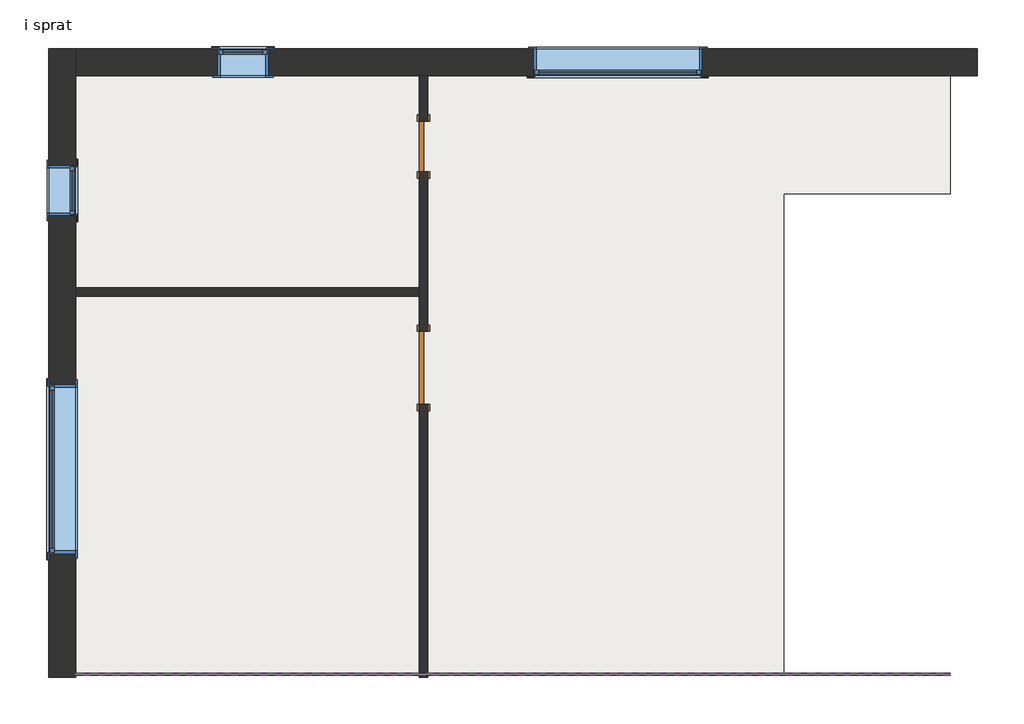
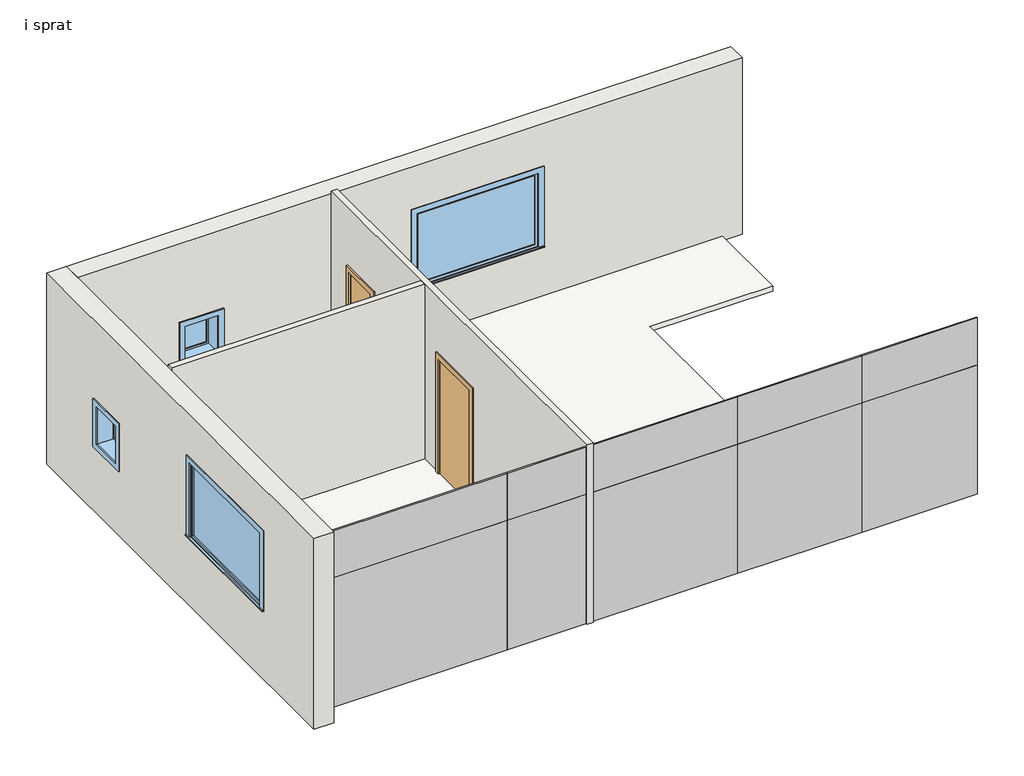
# One storey: 8 plates, 4 walls, 4 windows, 2 doors, 1 slab.
"""IFC4 building model written with IfcOpenShell, lengths in millimetres."""

import ifcopenshell
import ifcopenshell.guid

model = None  # the IFC model being written
_history = None  # IfcOwnerHistory: only IFC2X3 demands one
_inside = {}  # id of a spatial element -> (the spatial element, [elements in it])
_under = {}  # id of a project, library or spatial element -> (it, [spatial elements below it])
_declared = {}  # id of a project -> (the project, [libraries it declares])
_typed = {}  # id of a type object -> (the type object, [elements of that type])
_made_of = {}  # id of a material, layer set ... -> (it, [elements and type objects made of it])


def new_model(schema):
    """Start an empty IFC model of exactly this schema.

    Asked for "IFC4X3", IfcOpenShell would pick the latest addendum, in which some entities
    have other attributes; the version numbers below select the first issue.
    IFC2X3 requires an IfcOwnerHistory on every rooted entity: one is made here for all.
    """
    global model, _history
    if schema == "IFC4X3":
        model = ifcopenshell.file(schema_version=(4, 3, 0, 0))
    else:
        model = ifcopenshell.file(schema=schema)
    _inside.clear()
    _under.clear()
    _declared.clear()
    _typed.clear()
    _made_of.clear()
    _history = None
    if model.schema == "IFC2X3":
        org = make("IfcOrganization", Name="unknown")
        user = make(
            "IfcPersonAndOrganization",
            ThePerson=make("IfcPerson", FamilyName="unknown"),
            TheOrganization=org,
        )
        app = make(
            "IfcApplication",
            ApplicationDeveloper=org,
            Version="unknown",
            ApplicationFullName="unknown",
            ApplicationIdentifier="unknown",
        )
        _history = make(
            "IfcOwnerHistory",
            OwningUser=user,
            OwningApplication=app,
            ChangeAction="ADDED",
            CreationDate=0,
        )
    return model


def make(cls, **values):
    """One entity of the class cls with the attributes given. An attribute that is None is left unset."""
    return model.create_entity(
        cls, **{name: value for name, value in values.items() if value is not None}
    )


def rooted(cls, **values):
    """An entity with a GlobalId (a new one), such as an element, a storey or a relation."""
    return make(cls, GlobalId=ifcopenshell.guid.new(), OwnerHistory=_history, **values)


def si_unit(unit_type, name, prefix=None):
    """IfcSIUnit, for example si_unit("LENGTHUNIT", "METRE", prefix="MILLI")."""
    return make("IfcSIUnit", UnitType=unit_type, Prefix=prefix, Name=name)


def assignment(units):
    """IfcUnitAssignment: the units of a project."""
    return None if units is None else make("IfcUnitAssignment", Units=units)


def point(xyz):
    """IfcCartesianPoint."""
    return None if xyz is None else make("IfcCartesianPoint", Coordinates=xyz)


def direction(xyz):
    """IfcDirection."""
    return None if xyz is None else make("IfcDirection", DirectionRatios=xyz)


def frame(location, z_axis=None, x_axis=None):
    """IfcAxis2Placement3D, a coordinate frame: its origin and axes. An axis left out is left unset."""
    return make(
        "IfcAxis2Placement3D",
        Location=point(location),
        Axis=direction(z_axis),
        RefDirection=direction(x_axis),
    )


def origin():
    """The frame at (0, 0, 0) with its axes left unset."""
    return frame((0.0, 0.0, 0.0))


def origin_with_axes():
    """The frame at (0, 0, 0) with the z axis (0, 0, 1) and the x axis (1, 0, 0) written out."""
    return frame((0.0, 0.0, 0.0), z_axis=(0.0, 0.0, 1.0), x_axis=(1.0, 0.0, 0.0))


def place(relative_to, where):
    """IfcLocalPlacement: puts the frame where relative to a parent placement (None: the world)."""
    return make(
        "IfcLocalPlacement", PlacementRelTo=relative_to, RelativePlacement=where
    )


def context(
    kind, dimensions, precision=None, world=None, true_north=None, identifier=None
):
    """IfcGeometricRepresentationContext, for example the 3D "Model" context."""
    return make(
        "IfcGeometricRepresentationContext",
        ContextIdentifier=identifier,
        ContextType=kind,
        CoordinateSpaceDimension=dimensions,
        Precision=precision,
        WorldCoordinateSystem=world,
        TrueNorth=true_north,
    )


def project(units=None, contexts=None):
    """IfcProject with its units and contexts."""
    return rooted(
        "IfcProject",
        Name="project",
        RepresentationContexts=contexts,
        UnitsInContext=assignment(units),
    )


def spatial(cls, under=None, at=None, **own):
    """A site, building, storey or space (cls), placed at a placement, below another one or the project."""
    s = rooted(cls, ObjectPlacement=at, **own)
    if under is not None:
        _under.setdefault(under.id(), (under, []))[1].append(s)
    return s


def polyline(points):
    """IfcPolyline through the points."""
    return make("IfcPolyline", Points=[point(p) for p in points])


def outline(outer, holes=None, kind="AREA"):
    """IfcArbitraryClosedProfileDef: a profile drawn as a closed curve; with holes, ...WithVoids."""
    if holes is None:
        return make("IfcArbitraryClosedProfileDef", ProfileType=kind, OuterCurve=outer)
    return make(
        "IfcArbitraryProfileDefWithVoids",
        ProfileType=kind,
        OuterCurve=outer,
        InnerCurves=holes,
    )


def extrude(swept, where, along, depth):
    """IfcExtrudedAreaSolid: the profile swept, set in the frame where, extruded along a direction by depth."""
    return make(
        "IfcExtrudedAreaSolid",
        SweptArea=swept,
        Position=where,
        ExtrudedDirection=direction(along),
        Depth=depth,
    )


def faces_of(points, faces, orient=None, outer=None):
    """IfcFace entities. A face is a list of loops; a loop is a list of indices into points, from 0.

    orient and outer hold one flag for each loop. By default every Orientation is true, the
    first loop of a face is its IfcFaceOuterBound and the others are IfcFaceBound.
    """
    made = []
    for i, loops in enumerate(faces):
        bounds = []
        for j, loop in enumerate(loops):
            is_outer = j == 0 if outer is None else outer[i][j]
            bounds.append(
                make(
                    "IfcFaceOuterBound" if is_outer else "IfcFaceBound",
                    Bound=make("IfcPolyLoop", Polygon=[points[k] for k in loop]),
                    Orientation=True if orient is None else orient[i][j],
                )
            )
        made.append(make("IfcFace", Bounds=bounds))
    return made


def faceted_brep(points, faces, orient=None, outer=None, voids=None):
    """IfcFacetedBrep: a solid bounded by flat faces; with voids (closed shells), ...WithVoids."""
    shared = [point(p) for p in points]
    hull = make("IfcClosedShell", CfsFaces=faces_of(shared, faces, orient, outer))
    if voids is None:
        return make("IfcFacetedBrep", Outer=hull)
    return make(
        "IfcFacetedBrepWithVoids",
        Outer=hull,
        Voids=[
            make(cls, CfsFaces=faces_of(shared, fs, o, b)) for cls, fs, o, b in voids
        ],
    )


def shape(context_of_items, identifier, shape_type, items):
    """IfcShapeRepresentation: the items that make up one representation, for example the "Body"."""
    return make(
        "IfcShapeRepresentation",
        ContextOfItems=context_of_items,
        RepresentationIdentifier=identifier,
        RepresentationType=shape_type,
        Items=items,
    )


def source(mapping_origin, context_of_items, identifier, shape_type, items):
    """IfcRepresentationMap: a shape defined once, which mapped items show again and again."""
    return make(
        "IfcRepresentationMap",
        MappingOrigin=mapping_origin,
        MappedRepresentation=shape(context_of_items, identifier, shape_type, items),
    )


def transform(
    local_origin,
    x_axis=None,
    y_axis=None,
    z_axis=None,
    scale=None,
    scale2=None,
    scale3=None,
    uniform=True,
):
    """IfcCartesianTransformationOperator3D, or its non-uniform kind. x_axis, y_axis, z_axis: its Axis1, 2, 3."""
    if uniform:
        return make(
            "IfcCartesianTransformationOperator3D",
            Axis1=direction(x_axis),
            Axis2=direction(y_axis),
            LocalOrigin=point(local_origin),
            Scale=scale,
            Axis3=direction(z_axis),
        )
    return make(
        "IfcCartesianTransformationOperator3DnonUniform",
        Axis1=direction(x_axis),
        Axis2=direction(y_axis),
        LocalOrigin=point(local_origin),
        Scale=scale,
        Axis3=direction(z_axis),
        Scale2=scale2,
        Scale3=scale3,
    )


def mapped(mapping_source, mapping_target):
    """IfcMappedItem: shows the shape of a source again, moved by a transform."""
    return make(
        "IfcMappedItem", MappingSource=mapping_source, MappingTarget=mapping_target
    )


def made_of(thing, what):
    """Note that an element or type object is made of a material, layer set ...; save() writes the relation."""
    if what is not None:
        _made_of.setdefault(what.id(), (what, []))[1].append(thing)
    return thing


def element(
    cls,
    number,
    at=None,
    inside=None,
    cuts=None,
    type_object=None,
    material=None,
    context=None,
    identifier="Body",
    shape_type=None,
    held_by="IfcProductDefinitionShape",
    body=None,
    shapes=None,
    **own,
):
    """One element of the class cls, such as IfcWall. Its Tag is "e" and its number.

    at: its placement. inside: the storey or other place that contains it. cuts: it is an
    opening in that element (IfcRelVoidsElement). A single representation is given by context,
    identifier, shape_type and body (its items); several are given by shapes. held_by: the class
    of the entity that holds the representations. save() writes the other relations.
    """
    e = rooted(cls, Tag="e%d" % number, ObjectPlacement=at, **own)
    if body is not None:
        shapes = [shape(context, identifier, shape_type, body)]
    if shapes is not None:
        e.Representation = make(held_by, Representations=shapes)
    if inside is not None:
        _inside.setdefault(inside.id(), (inside, []))[1].append(e)
    if cuts is not None:
        rooted(
            "IfcRelVoidsElement", RelatingBuildingElement=cuts, RelatedOpeningElement=e
        )
    if type_object is not None:
        _typed.setdefault(type_object.id(), (type_object, []))[1].append(e)
    return made_of(e, material)


def aggregate(whole, parts):
    """IfcRelAggregates: a whole, such as a stair, and the parts it consists of."""
    return rooted("IfcRelAggregates", RelatingObject=whole, RelatedObjects=parts)


def save(model, path):
    """Write the relations noted so far, then the file.

    IfcRelAggregates (storeys below a building ...), IfcRelContainedInSpatialStructure (elements
    in a storey), IfcRelDefinesByType, IfcRelAssociatesMaterial and IfcRelDeclares: one each for
    every whole, place, type object, material and project.
    """
    for whole, parts in _under.values():
        aggregate(whole, parts)
    for where, things in _inside.values():
        rooted(
            "IfcRelContainedInSpatialStructure",
            RelatedElements=things,
            RelatingStructure=where,
        )
    for kind, things in _typed.values():
        rooted("IfcRelDefinesByType", RelatedObjects=things, RelatingType=kind)
    for what, things in _made_of.values():
        rooted("IfcRelAssociatesMaterial", RelatedObjects=things, RelatingMaterial=what)
    for by, libraries in _declared.values():
        rooted("IfcRelDeclares", RelatingContext=by, RelatedDefinitions=libraries)
    model.write(path)


def single_flush_6ab990f4(model_context):
    return source(origin(), model_context, "Body", "SweptSolid", [
        extrude(outline(polyline([(2076.2, -376.2), (0.0, -376.2), (0.0, -300.0), (2000.0, -300.0), (2000.0, 300.0), (0.0, 300.0), (0.0, 376.2), (2076.2, 376.2), (2076.2, -376.2)])), frame((0.0, 50.0, 0.0), z_axis=(0.0, 1.0, 0.0), x_axis=(0.0, 0.0, 1.0)), (0.0, 0.0, 1.0), 25.4),
        extrude(outline(polyline([(2076.2, 376.2), (2076.2, -376.2), (0.0, -376.2), (0.0, -300.0), (2000.0, -300.0), (2000.0, 300.0), (0.0, 300.0), (0.0, 376.2), (2076.2, 376.2)])), frame((0.0, -75.4, 0.0), z_axis=(0.0, 1.0, 0.0), x_axis=(0.0, 0.0, 1.0)), (0.0, 0.0, 1.0), 25.4),
        extrude(outline(polyline([(300.0, -0.8), (-300.0, -0.8), (-300.0, 50.0), (300.0, 50.0), (300.0, -0.8)])), origin_with_axes(), (0.0, 0.0, 1.0), 2000.0),
    ])


def door_5eeb210d(model_context):
    return source(origin(), model_context, "Body", "SweptSolid", [
        extrude(outline(polyline([(2108.2, -508.0), (0.0, -508.0), (0.0, -431.8), (2032.0, -431.8), (2032.0, 431.8), (0.0, 431.8), (0.0, 508.0), (2108.2, 508.0), (2108.2, -508.0)])), frame((0.0, 50.0, 0.0), z_axis=(0.0, 1.0, 0.0), x_axis=(0.0, 0.0, 1.0)), (0.0, 0.0, 1.0), 25.4),
        extrude(outline(polyline([(2108.2, 508.0), (2108.2, -508.0), (0.0, -508.0), (0.0, -431.8), (2032.0, -431.8), (2032.0, 431.8), (0.0, 431.8), (0.0, 508.0), (2108.2, 508.0)])), frame((0.0, -75.4, 0.0), z_axis=(0.0, 1.0, 0.0), x_axis=(0.0, 0.0, 1.0)), (0.0, 0.0, 1.0), 25.4),
        extrude(outline(polyline([(431.8, -0.8), (-431.8, -0.8), (-431.8, 50.0), (431.8, 50.0), (431.8, -0.8)])), origin_with_axes(), (0.0, 0.0, 1.0), 2032.0),
    ])


def system_panel_glazed_8fcf2291(model_context):
    return source(origin(), model_context, "Body", "SweptSolid", [
        extrude(outline(polyline([(930.0, 19.05), (-930.0, 19.05), (-930.0, 44.45), (930.0, 44.45), (930.0, 19.05)])), origin_with_axes(), (0.0, 0.0, 1.0), 2200.0),
    ])


def system_panel_glazed_beaef010(model_context):
    return source(origin(), model_context, "Body", "SweptSolid", [
        extrude(outline(polyline([(930.0, 19.05), (-930.0, 19.05), (-930.0, 44.45), (930.0, 44.45), (930.0, 19.05)])), origin_with_axes(), (0.0, 0.0, 1.0), 800.0),
    ])


def system_panel_glazed_ad8c2ce8(model_context):
    return source(origin(), model_context, "Body", "SweptSolid", [
        extrude(outline(polyline([(1000.0, 19.05), (-1000.0, 19.05), (-1000.0, 44.45), (1000.0, 44.45), (1000.0, 19.05)])), origin_with_axes(), (0.0, 0.0, 1.0), 2200.0),
    ])


def system_panel_glazed_d3eb4a58(model_context):
    return source(origin(), model_context, "Body", "SweptSolid", [
        extrude(outline(polyline([(1000.0, 19.05), (-1000.0, 19.05), (-1000.0, 44.45), (1000.0, 44.45), (1000.0, 19.05)])), origin_with_axes(), (0.0, 0.0, 1.0), 800.0),
    ])


def system_panel_glazed_b682965e(model_context):
    return source(origin(), model_context, "Body", "SweptSolid", [
        extrude(outline(polyline([(1400.0, 19.05), (-1400.0, 19.05), (-1400.0, 44.45), (1400.0, 44.45), (1400.0, 19.05)])), origin_with_axes(), (0.0, 0.0, 1.0), 2200.0),
    ])


def system_panel_glazed_552069db(model_context):
    return source(origin(), model_context, "Body", "SweptSolid", [
        extrude(outline(polyline([(1400.0, 19.05), (-1400.0, 19.05), (-1400.0, 44.45), (1400.0, 44.45), (1400.0, 19.05)])), origin_with_axes(), (0.0, 0.0, 1.0), 800.0),
    ])


def system_panel_glazed_d8b398f0(model_context):
    return source(origin(), model_context, "Body", "SweptSolid", [
        extrude(outline(polyline([(1850.0, 19.05), (-1850.0, 19.05), (-1850.0, 44.45), (1850.0, 44.45), (1850.0, 19.05)])), origin_with_axes(), (0.0, 0.0, 1.0), 2200.0),
    ])


def system_panel_glazed_4c189a50(model_context):
    return source(origin(), model_context, "Body", "SweptSolid", [
        extrude(outline(polyline([(1850.0, 19.05), (-1850.0, 19.05), (-1850.0, 44.45), (1850.0, 44.45), (1850.0, 19.05)])), origin_with_axes(), (0.0, 0.0, 1.0), 800.0),
    ])


def fixed_with_trim_601a8c36(model_context):
    return source(origin(), model_context, "Body", "SweptSolid", [
        extrude(outline(polyline([(-407.95, 185.4), (331.75, 185.4), (331.75, 160.0), (-407.95, 160.0), (-407.95, 185.4)])), frame((0.0, 0.0, 914.4), z_axis=(0.0, 0.0, 1.0), x_axis=(1.0, 0.0, 0.0)), (0.0, 0.0, 1.0), 19.05),
        extrude(outline(polyline([(1595.35, -319.05), (1595.35, 242.85), (933.45, 242.85), (933.45, 331.75), (1684.25, 331.75), (1684.25, -407.95), (933.45, -407.95), (933.45, -319.05), (1595.35, -319.05)])), frame((0.0, 160.0, 0.0), z_axis=(0.0, 1.0, 0.0), x_axis=(0.0, 0.0, 1.0)), (0.0, 0.0, 1.0), 12.7),
        extrude(outline(polyline([(1671.55, 319.05), (1671.55, -395.25), (857.25, -395.25), (857.25, 319.05), (1671.55, 319.05)]), holes=[polyline([(1582.65, 230.15), (946.15, 230.15), (946.15, -306.35), (1582.65, -306.35), (1582.65, 230.15)])]), frame((0.0, -179.05, 0.0), z_axis=(0.0, 1.0, 0.0), x_axis=(0.0, 0.0, 1.0)), (0.0, 0.0, 1.0), 19.05),
        extrude(outline(polyline([(198.4, 112.375), (-274.6, 112.375), (-274.6, 125.075), (198.4, 125.075), (198.4, 112.375)])), frame((0.0, 0.0, 977.9), z_axis=(0.0, 0.0, 1.0), x_axis=(1.0, 0.0, 0.0)), (0.0, 0.0, 1.0), 573.0),
        extrude(outline(polyline([(1595.35, -319.05), (933.45, -319.05), (933.45, 242.85), (1595.35, 242.85), (1595.35, -319.05)]), holes=[polyline([(1550.9, -274.6), (1550.9, 198.4), (977.9, 198.4), (977.9, -274.6), (1550.9, -274.6)])]), frame((0.0, 96.5, 0.0), z_axis=(0.0, 1.0, 0.0), x_axis=(0.0, 0.0, 1.0)), (0.0, 0.0, 1.0), 44.45),
        extrude(outline(polyline([(1614.4, -338.1), (914.4, -338.1), (914.4, 261.9), (1614.4, 261.9), (1614.4, -338.1)]), holes=[polyline([(1582.65, -306.35), (1582.65, 230.15), (946.15, 230.15), (946.15, -306.35), (1582.65, -306.35)])]), frame((0.0, -160.0, 0.0), z_axis=(0.0, 1.0, 0.0), x_axis=(0.0, 0.0, 1.0)), (0.0, 0.0, 1.0), 256.5),
        extrude(outline(polyline([(1614.4, 261.9), (1614.4, -338.1), (914.4, -338.1), (914.4, 261.9), (1614.4, 261.9)]), holes=[polyline([(1595.35, 242.85), (933.45, 242.85), (933.45, -319.05), (1595.35, -319.05), (1595.35, 242.85)])]), frame((0.0, 96.5, 0.0), z_axis=(0.0, 1.0, 0.0), x_axis=(0.0, 0.0, 1.0)), (0.0, 0.0, 1.0), 63.5),
    ])


def fixed_with_trim_43f5f011(model_context):
    return source(origin(), model_context, "Body", "SweptSolid", [
        extrude(outline(polyline([(-1107.95, 185.4), (1031.75, 185.4), (1031.75, 160.0), (-1107.95, 160.0), (-1107.95, 185.4)])), frame((0.0, 0.0, 914.4), z_axis=(0.0, 0.0, 1.0), x_axis=(1.0, 0.0, 0.0)), (0.0, 0.0, 1.0), 19.05),
        extrude(outline(polyline([(2195.35, -1019.05), (2195.35, 942.85), (933.45, 942.85), (933.45, 1031.75), (2284.25, 1031.75), (2284.25, -1107.95), (933.45, -1107.95), (933.45, -1019.05), (2195.35, -1019.05)])), frame((0.0, 160.0, 0.0), z_axis=(0.0, 1.0, 0.0), x_axis=(0.0, 0.0, 1.0)), (0.0, 0.0, 1.0), 12.7),
        extrude(outline(polyline([(2271.55, 1019.05), (2271.55, -1095.25), (857.25, -1095.25), (857.25, 1019.05), (2271.55, 1019.05)]), holes=[polyline([(2182.65, 930.15), (946.15, 930.15), (946.15, -1006.35), (2182.65, -1006.35), (2182.65, 930.15)])]), frame((0.0, -179.05, 0.0), z_axis=(0.0, 1.0, 0.0), x_axis=(0.0, 0.0, 1.0)), (0.0, 0.0, 1.0), 19.05),
        extrude(outline(polyline([(898.4, 112.375), (-974.6, 112.375), (-974.6, 125.075), (898.4, 125.075), (898.4, 112.375)])), frame((0.0, 0.0, 977.9), z_axis=(0.0, 0.0, 1.0), x_axis=(1.0, 0.0, 0.0)), (0.0, 0.0, 1.0), 1173.0),
        extrude(outline(polyline([(2195.35, -1019.05), (933.45, -1019.05), (933.45, 942.85), (2195.35, 942.85), (2195.35, -1019.05)]), holes=[polyline([(2150.9, -974.6), (2150.9, 898.4), (977.9, 898.4), (977.9, -974.6), (2150.9, -974.6)])]), frame((0.0, 96.5, 0.0), z_axis=(0.0, 1.0, 0.0), x_axis=(0.0, 0.0, 1.0)), (0.0, 0.0, 1.0), 44.45),
        extrude(outline(polyline([(2214.4, -1038.1), (914.4, -1038.1), (914.4, 961.9), (2214.4, 961.9), (2214.4, -1038.1)]), holes=[polyline([(2182.65, -1006.35), (2182.65, 930.15), (946.15, 930.15), (946.15, -1006.35), (2182.65, -1006.35)])]), frame((0.0, -160.0, 0.0), z_axis=(0.0, 1.0, 0.0), x_axis=(0.0, 0.0, 1.0)), (0.0, 0.0, 1.0), 256.5),
        extrude(outline(polyline([(2214.4, 961.9), (2214.4, -1038.1), (914.4, -1038.1), (914.4, 961.9), (2214.4, 961.9)]), holes=[polyline([(2195.35, 942.85), (933.45, 942.85), (933.45, -1019.05), (2195.35, -1019.05), (2195.35, 942.85)])]), frame((0.0, 96.5, 0.0), z_axis=(0.0, 1.0, 0.0), x_axis=(0.0, 0.0, 1.0)), (0.0, 0.0, 1.0), 63.5),
    ])


model = new_model("IFC4")

# Units and contexts
model_context = context("Model", 3, world=origin())
ifc_project = project(units=[si_unit("LENGTHUNIT", "METRE", prefix="MILLI")], contexts=[model_context])

# Site, building, storey
site = spatial("IfcSite", under=ifc_project)
building = spatial("IfcBuilding", under=site)
storey = spatial("IfcBuildingStorey", under=building, Name="i sprat", Elevation=3290.0)

# Doors
placement = place(None, origin())
single_flush_shape = single_flush_6ab990f4(model_context)
element("IfcDoor", 1, ObjectType="Single-Flush", at=placement, inside=storey, context=model_context, shape_type="MappedRepresentation", body=[
    mapped(single_flush_shape, transform((-2481.3924997, -1645.0529843, 3290.0), x_axis=(0.0, 1.0, 0.0), y_axis=(-1.0, 0.0, 0.0), z_axis=(0.0, 0.0, 1.0))),
])
door_shape = door_5eeb210d(model_context)
element("IfcDoor", 2, ObjectType="Single-Flush : 34\" x 80\"", at=placement, inside=storey, context=model_context, shape_type="MappedRepresentation", body=[
    mapped(door_shape, transform((-2481.3924997, -4265.8529843, 3290.0), x_axis=(0.0, 1.0, 0.0), y_axis=(-1.0, 0.0, 0.0), z_axis=(0.0, 0.0, 1.0))),
])

# Plates
system_panel_glazed_shape = system_panel_glazed_8fcf2291(model_context)
element("IfcPlate", 3, ObjectType="System Panel : Glazed", at=placement, inside=storey, context=model_context, shape_type="MappedRepresentation", body=[
    mapped(system_panel_glazed_shape, transform((2828.6075003, -7926.6529843, 3290.0), x_axis=(1.0, 0.0, 0.0), y_axis=(0.0, 1.0, 0.0), z_axis=(0.0, 0.0, 1.0))),
])
system_panel_glazed_2_shape = system_panel_glazed_beaef010(model_context)
element("IfcPlate", 4, ObjectType="System Panel : Glazed", at=placement, inside=storey, context=model_context, shape_type="MappedRepresentation", body=[
    mapped(system_panel_glazed_2_shape, transform((2828.6075003, -7926.6529843, 5490.0), x_axis=(1.0, 0.0, 0.0), y_axis=(0.0, 1.0, 0.0), z_axis=(0.0, 0.0, 1.0))),
])
system_panel_glazed_3_shape = system_panel_glazed_ad8c2ce8(model_context)
element("IfcPlate", 5, ObjectType="System Panel : Glazed", at=placement, inside=storey, context=model_context, shape_type="MappedRepresentation", body=[
    mapped(system_panel_glazed_3_shape, transform((898.6075003, -7926.6529843, 3290.0), x_axis=(1.0, 0.0, 0.0), y_axis=(0.0, 1.0, 0.0), z_axis=(0.0, 0.0, 1.0))),
])
system_panel_glazed_4_shape = system_panel_glazed_d3eb4a58(model_context)
element("IfcPlate", 6, ObjectType="System Panel : Glazed", at=placement, inside=storey, context=model_context, shape_type="MappedRepresentation", body=[
    mapped(system_panel_glazed_4_shape, transform((898.6075003, -7926.6529843, 5490.0), x_axis=(1.0, 0.0, 0.0), y_axis=(0.0, 1.0, 0.0), z_axis=(0.0, 0.0, 1.0))),
])
system_panel_glazed_5_shape = system_panel_glazed_b682965e(model_context)
element("IfcPlate", 7, ObjectType="System Panel : Glazed", at=placement, inside=storey, context=model_context, shape_type="MappedRepresentation", body=[
    mapped(system_panel_glazed_5_shape, transform((-5201.3924997, -7926.6529843, 3290.0), x_axis=(1.0, 0.0, 0.0), y_axis=(0.0, 1.0, 0.0), z_axis=(0.0, 0.0, 1.0))),
])
system_panel_glazed_6_shape = system_panel_glazed_552069db(model_context)
element("IfcPlate", 8, ObjectType="System Panel : Glazed", at=placement, inside=storey, context=model_context, shape_type="MappedRepresentation", body=[
    mapped(system_panel_glazed_6_shape, transform((-5201.3924997, -7926.6529843, 5490.0), x_axis=(1.0, 0.0, 0.0), y_axis=(0.0, 1.0, 0.0), z_axis=(0.0, 0.0, 1.0))),
])
system_panel_glazed_7_shape = system_panel_glazed_d8b398f0(model_context)
element("IfcPlate", 9, ObjectType="System Panel : Glazed", at=placement, inside=storey, context=model_context, shape_type="MappedRepresentation", body=[
    mapped(system_panel_glazed_7_shape, transform((-1951.3924997, -7926.6529843, 3290.0), x_axis=(1.0, 0.0, 0.0), y_axis=(0.0, 1.0, 0.0), z_axis=(0.0, 0.0, 1.0))),
])
system_panel_glazed_8_shape = system_panel_glazed_4c189a50(model_context)
element("IfcPlate", 10, ObjectType="System Panel : Glazed", at=placement, inside=storey, context=model_context, shape_type="MappedRepresentation", body=[
    mapped(system_panel_glazed_8_shape, transform((-1951.3924997, -7926.6529843, 5490.0), x_axis=(1.0, 0.0, 0.0), y_axis=(0.0, 1.0, 0.0), z_axis=(0.0, 0.0, 1.0))),
])

# Slab
element("IfcSlab", 11, at=placement, inside=storey, context=model_context, shape_type="SweptSolid", body=[
    extrude(outline(polyline([(1785.6296815, -805.0529843), (3758.6075003, -805.0529843), (3758.6075003, -2205.0529843), (1785.6296815, -2205.0529843), (1785.6296815, -7890.8529843), (-6601.3924997, -7890.8529843), (-6601.3924997, -805.0529843), (1785.6296815, -805.0529843)])), frame((0.0, 0.0, 3290.0), z_axis=(0.0, 0.0, 1.0), x_axis=(1.0, 0.0, 0.0)), (0.0, 0.0, 1.0), 80.0),
])

# Walls
element("IfcWall", 12, at=placement, inside=storey, context=model_context, shape_type="Brep", body=[
    faceted_brep([(-6601.3924997, -7926.6529843, 3040.0), (-6601.3924997, -485.0529843, 3040.0), (-6601.3924997, -485.0529843, 3290.0), (-6601.3924997, -485.0529843, 6290.0), (-6601.3924997, -805.0529843, 6290.0), (-6601.3924997, -7926.6529843, 6290.0), (-6601.3924997, -2465.8529843, 4204.4), (-6601.3924997, -2465.8529843, 4904.4), (-6601.3924997, -1865.8529843, 4904.4), (-6601.3924997, -1865.8529843, 4204.4), (-6601.3924997, -4465.8529843, 5504.4), (-6601.3924997, -4465.8529843, 4204.4), (-6601.3924997, -6465.8529843, 4204.4), (-6601.3924997, -6465.8529843, 5504.4), (-6921.3924997, -485.0529843, 3040.0), (-6921.3924997, -7926.6529843, 3040.0), (-6921.3924997, -7926.6529843, 6290.0), (-6921.3924997, -485.0529843, 6290.0), (-6921.3924997, -2465.8529843, 4904.4), (-6921.3924997, -2465.8529843, 4204.4), (-6921.3924997, -1865.8529843, 4204.4), (-6921.3924997, -1865.8529843, 4904.4), (-6921.3924997, -4465.8529843, 4204.4), (-6921.3924997, -4465.8529843, 5504.4), (-6921.3924997, -6465.8529843, 5504.4), (-6921.3924997, -6465.8529843, 4204.4)], [[[0, 1, 2, 3, 4, 5], [6, 7, 8, 9], [10, 11, 12, 13]], [[14, 15, 16, 17], [18, 19, 20, 21], [22, 23, 24, 25]], [[1, 0, 15, 14]], [[5, 4, 3, 17, 16]], [[0, 5, 16, 15]], [[3, 2, 1, 14, 17]], [[19, 18, 7, 6]], [[20, 19, 6, 9]], [[21, 20, 9, 8]], [[18, 21, 8, 7]], [[10, 23, 22, 11]], [[11, 22, 25, 12]], [[12, 25, 24, 13]], [[23, 10, 13, 24]]]),
])
element("IfcWall", 13, at=placement, inside=storey, context=model_context, shape_type="Brep", body=[
    faceted_brep([(-6601.3924997, -805.0529843, 3290.0), (-2531.3924997, -805.0529843, 3290.0), (-2431.3924997, -805.0529843, 3290.0), (4078.6075003, -805.0529843, 3290.0), (4078.6075003, -805.0529843, 6290.0), (-6601.3924997, -805.0529843, 6290.0), (-4321.3924997, -805.0529843, 4904.4), (-4321.3924997, -805.0529843, 4204.4), (-4921.3924997, -805.0529843, 4204.4), (-4921.3924997, -805.0529843, 4904.4), (-1181.3924997, -805.0529843, 4204.4), (-1181.3924997, -805.0529843, 5504.4), (818.6075003, -805.0529843, 5504.4), (818.6075003, -805.0529843, 4204.4), (4078.6075003, -485.0529843, 3290.0), (-6601.3924997, -485.0529843, 3290.0), (-6601.3924997, -485.0529843, 6290.0), (4078.6075003, -485.0529843, 6290.0), (-4321.3924997, -485.0529843, 4204.4), (-4321.3924997, -485.0529843, 4904.4), (-4921.3924997, -485.0529843, 4904.4), (-4921.3924997, -485.0529843, 4204.4), (-1181.3924997, -485.0529843, 5504.4), (-1181.3924997, -485.0529843, 4204.4), (818.6075003, -485.0529843, 4204.4), (818.6075003, -485.0529843, 5504.4)], [[[0, 1, 2, 3, 4, 5], [6, 7, 8, 9], [10, 11, 12, 13]], [[14, 15, 16, 17], [18, 19, 20, 21], [22, 23, 24, 25]], [[3, 2, 1, 0, 15, 14]], [[4, 3, 14, 17]], [[5, 4, 17, 16]], [[0, 5, 16, 15]], [[7, 6, 19, 18]], [[8, 7, 18, 21]], [[9, 8, 21, 20]], [[6, 9, 20, 19]], [[22, 11, 10, 23]], [[23, 10, 13, 24]], [[24, 13, 12, 25]], [[11, 22, 25, 12]]]),
])
element("IfcWall", 14, at=placement, inside=storey, context=model_context, shape_type="Brep", body=[
    faceted_brep([(-2531.3924997, -1945.0529843, 3290.0), (-2531.3924997, -3315.8529843, 3290.0), (-2531.3924997, -3415.8529843, 3290.0), (-2531.3924997, -3834.0529843, 3290.0), (-2531.3924997, -3834.0529843, 5322.0), (-2531.3924997, -4697.6529843, 5322.0), (-2531.3924997, -4697.6529843, 3290.0), (-2531.3924997, -7926.6529843, 3290.0), (-2531.3924997, -7926.6529843, 6338.0), (-2531.3924997, -3415.8529843, 6338.0), (-2531.3924997, -3315.8529843, 6338.0), (-2531.3924997, -805.0529843, 6338.0), (-2531.3924997, -805.0529843, 3290.0), (-2531.3924997, -1345.0529843, 3290.0), (-2531.3924997, -1345.0529843, 5290.0), (-2531.3924997, -1945.0529843, 5290.0), (-2431.3924997, -3834.0529843, 5322.0), (-2431.3924997, -3834.0529843, 3290.0), (-2431.3924997, -1945.0529843, 3290.0), (-2431.3924997, -1945.0529843, 5290.0), (-2431.3924997, -1345.0529843, 5290.0), (-2431.3924997, -1345.0529843, 3290.0), (-2431.3924997, -805.0529843, 3290.0), (-2431.3924997, -805.0529843, 6338.0), (-2431.3924997, -7926.6529843, 6338.0), (-2431.3924997, -7926.6529843, 3290.0), (-2431.3924997, -4697.6529843, 3290.0), (-2431.3924997, -4697.6529843, 5322.0)], [[[0, 1, 2, 3, 4, 5, 6, 7, 8, 9, 10, 11, 12, 13, 14, 15]], [[16, 17, 18, 19, 20, 21, 22, 23, 24, 25, 26, 27]], [[22, 21, 13, 12]], [[26, 25, 7, 6]], [[18, 17, 3, 2, 1, 0]], [[8, 7, 25, 24]], [[11, 10, 9, 8, 24, 23]], [[12, 11, 23, 22]], [[14, 13, 21, 20]], [[15, 14, 20, 19]], [[0, 15, 19, 18]], [[4, 3, 17, 16]], [[5, 4, 16, 27]], [[6, 5, 27, 26]]]),
])
element("IfcWall", 15, at=placement, inside=storey, context=model_context, shape_type="SweptSolid", body=[
    extrude(outline(polyline([(-6601.3924997, -3315.8529843), (-2531.3924997, -3315.8529843), (-2531.3924997, -3415.8529843), (-6601.3924997, -3415.8529843), (-6601.3924997, -3315.8529843)])), frame((0.0, 0.0, 3290.0), z_axis=(0.0, 0.0, 1.0), x_axis=(1.0, 0.0, 0.0)), (0.0, 0.0, 1.0), 3048.0),
])

# Windows
fixed_with_trim_shape = fixed_with_trim_601a8c36(model_context)
element("IfcWindow", 16, ObjectType="Fixed with Trim", at=placement, inside=storey, context=model_context, shape_type="MappedRepresentation", body=[
    mapped(fixed_with_trim_shape, transform((-4583.2924997, -645.0529843, 3290.0), x_axis=(1.0, 0.0, 0.0), y_axis=(0.0, 1.0, 0.0), z_axis=(0.0, 0.0, 1.0))),
])
element("IfcWindow", 17, ObjectType="Fixed with Trim", at=placement, inside=storey, context=model_context, shape_type="MappedRepresentation", body=[
    mapped(fixed_with_trim_shape, transform((-6761.3924997, -2203.9529843, 3290.0), x_axis=(0.0, -1.0, 0.0), y_axis=(1.0, 0.0, 0.0), z_axis=(0.0, 0.0, 1.0))),
])
fixed_with_trim_2_shape = fixed_with_trim_43f5f011(model_context)
element("IfcWindow", 18, ObjectType="Fixed with Trim", at=placement, inside=storey, context=model_context, shape_type="MappedRepresentation", body=[
    mapped(fixed_with_trim_2_shape, transform((-6761.3924997, -5427.7529843, 3290.0), x_axis=(0.0, 1.0, 0.0), y_axis=(-1.0, 0.0, 0.0), z_axis=(0.0, 0.0, 1.0))),
])
element("IfcWindow", 19, ObjectType="Fixed with Trim", at=placement, inside=storey, context=model_context, shape_type="MappedRepresentation", body=[
    mapped(fixed_with_trim_2_shape, transform((-219.4924997, -645.0529843, 3290.0), x_axis=(-1.0, 0.0, 0.0), y_axis=(0.0, -1.0, 0.0), z_axis=(0.0, 0.0, 1.0))),
])

save(model, "model.ifc")
